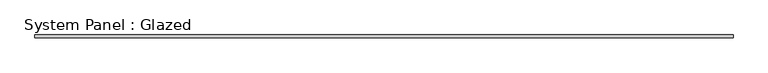
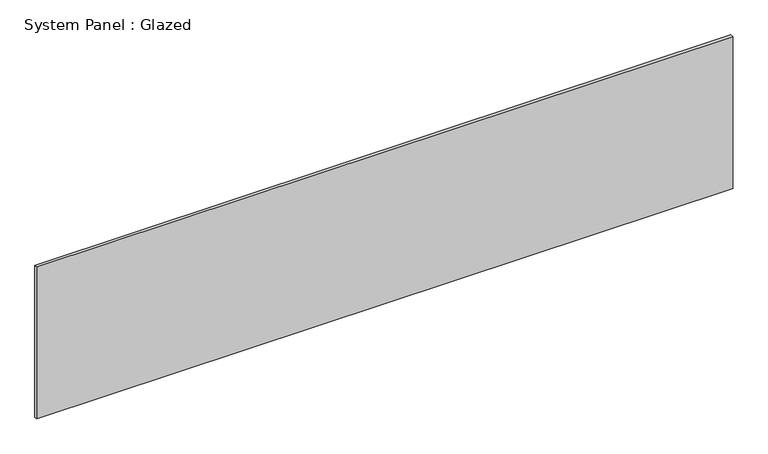
"""IFC4 building model written with IfcOpenShell, lengths in millimetres: plate geometry, System Panel : Glazed."""

from ifc_helpers import new_model, si_unit, origin, origin_with_axes, place, context, project, spatial, polyline, outline, extrude, source, transform, mapped, element, save


def system_panel_glazed_c73f1165(model_context):
    return source(origin(), model_context, "Body", "SweptSolid", [
        extrude(outline(polyline([(2925.0, -22.5), (-2925.0, -22.5), (-2925.0, 2.5), (2925.0, 2.5), (2925.0, -22.5)])), origin_with_axes(), (0.0, 0.0, 1.0), 1350.0),
    ])


if __name__ == "__main__":
    model = new_model("IFC4")
    model_context = context("Model", 3, world=origin())
    ifc_project = project(units=[si_unit("LENGTHUNIT", "METRE", prefix="MILLI")], contexts=[model_context])
    site = spatial("IfcSite", under=ifc_project)
    building = spatial("IfcBuilding", under=site)
    placement = place(None, origin())
    system_panel_glazed_shape = system_panel_glazed_c73f1165(model_context)
    element("IfcPlate", 1, ObjectType="System Panel : Glazed", at=placement, inside=building, context=model_context, shape_type="MappedRepresentation", body=[
        mapped(system_panel_glazed_shape, transform((0.0, 0.0, 0.0), x_axis=(1.0, 0.0, 0.0), y_axis=(0.0, 1.0, 0.0), z_axis=(0.0, 0.0, 1.0))),
    ])
    save(model, "model.ifc")
